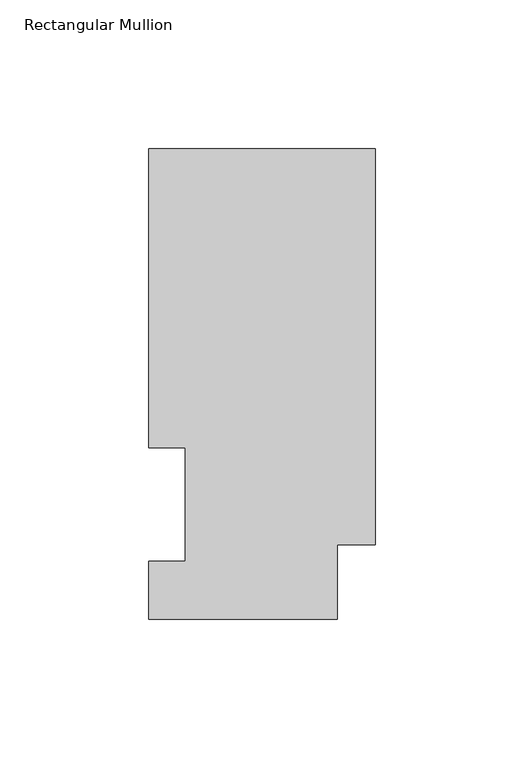
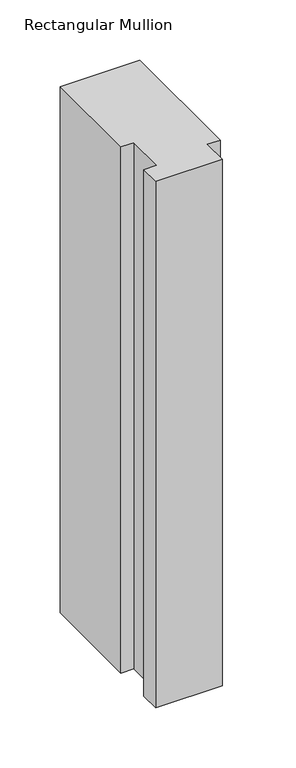
"""IFC4 building model written with IfcOpenShell, lengths in millimetres: member geometry, Rectangular Mullion."""

from ifc_helpers import new_model, si_unit, frame, origin, place, context, project, spatial, polyline, outline, extrude, source, transform, mapped, element, save


def rectangular_mullion_b1cb0ec0(model_context):
    return source(origin(), model_context, "Body", "SweptSolid", [
        extrude(outline(polyline([(0.0, 25.0832937), (-12.7, 25.0832937), (-12.7, 0.0134938), (-76.2, 0.0134938), (-76.2, 19.5460937), (-63.8581605, 19.5460937), (-63.8581605, 57.6460937), (-76.2, 57.6460937), (-76.2, 158.3316937), (0.0, 158.3316937), (0.0, 25.0832937)])), frame((0.0, 0.0, -532.9054937), z_axis=(0.0, 0.0, 1.0), x_axis=(1.0, 0.0, 0.0)), (0.0, 0.0, 1.0), 532.9054937),
    ])


if __name__ == "__main__":
    model = new_model("IFC4")
    model_context = context("Model", 3, world=origin())
    ifc_project = project(units=[si_unit("LENGTHUNIT", "METRE", prefix="MILLI")], contexts=[model_context])
    site = spatial("IfcSite", under=ifc_project)
    building = spatial("IfcBuilding", under=site)
    placement = place(None, origin())
    rectangular_mullion_shape = rectangular_mullion_b1cb0ec0(model_context)
    element("IfcMember", 1, ObjectType="Rectangular Mullion", at=placement, inside=building, context=model_context, shape_type="MappedRepresentation", body=[
        mapped(rectangular_mullion_shape, transform((0.0, 0.0, 0.0), x_axis=(1.0, 0.0, 0.0), y_axis=(0.0, 1.0, 0.0), z_axis=(0.0, 0.0, 1.0))),
    ])
    save(model, "model.ifc")
